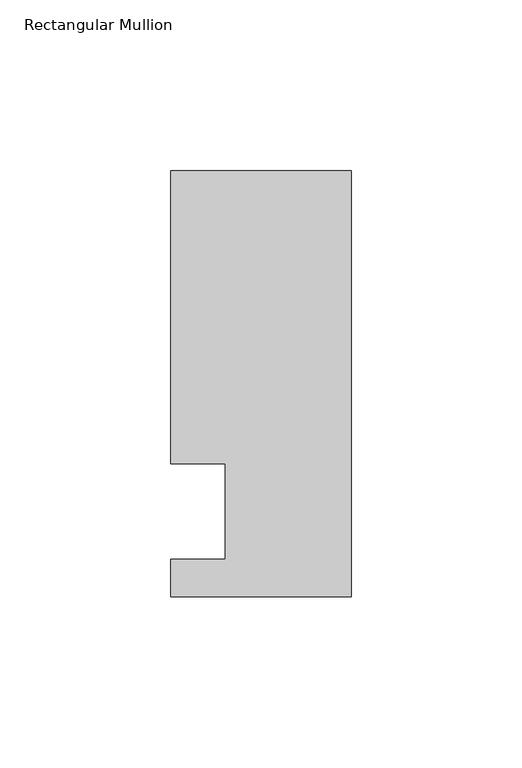
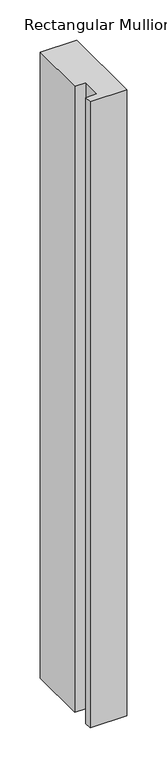
"""IFC4 building model written with IfcOpenShell, lengths in millimetres: member geometry, Rectangular Mullion."""

import ifcopenshell
import ifcopenshell.guid

model = None  # the IFC model being written
_history = None  # IfcOwnerHistory: only IFC2X3 demands one
_inside = {}  # id of a spatial element -> (the spatial element, [elements in it])
_under = {}  # id of a project, library or spatial element -> (it, [spatial elements below it])
_declared = {}  # id of a project -> (the project, [libraries it declares])
_typed = {}  # id of a type object -> (the type object, [elements of that type])
_made_of = {}  # id of a material, layer set ... -> (it, [elements and type objects made of it])


def new_model(schema):
    """Start an empty IFC model of exactly this schema.

    Asked for "IFC4X3", IfcOpenShell would pick the latest addendum, in which some entities
    have other attributes; the version numbers below select the first issue.
    IFC2X3 requires an IfcOwnerHistory on every rooted entity: one is made here for all.
    """
    global model, _history
    if schema == "IFC4X3":
        model = ifcopenshell.file(schema_version=(4, 3, 0, 0))
    else:
        model = ifcopenshell.file(schema=schema)
    _inside.clear()
    _under.clear()
    _declared.clear()
    _typed.clear()
    _made_of.clear()
    _history = None
    if model.schema == "IFC2X3":
        org = make("IfcOrganization", Name="unknown")
        user = make(
            "IfcPersonAndOrganization",
            ThePerson=make("IfcPerson", FamilyName="unknown"),
            TheOrganization=org,
        )
        app = make(
            "IfcApplication",
            ApplicationDeveloper=org,
            Version="unknown",
            ApplicationFullName="unknown",
            ApplicationIdentifier="unknown",
        )
        _history = make(
            "IfcOwnerHistory",
            OwningUser=user,
            OwningApplication=app,
            ChangeAction="ADDED",
            CreationDate=0,
        )
    return model


def make(cls, **values):
    """One entity of the class cls with the attributes given. An attribute that is None is left unset."""
    return model.create_entity(
        cls, **{name: value for name, value in values.items() if value is not None}
    )


def rooted(cls, **values):
    """An entity with a GlobalId (a new one), such as an element, a storey or a relation."""
    return make(cls, GlobalId=ifcopenshell.guid.new(), OwnerHistory=_history, **values)


def si_unit(unit_type, name, prefix=None):
    """IfcSIUnit, for example si_unit("LENGTHUNIT", "METRE", prefix="MILLI")."""
    return make("IfcSIUnit", UnitType=unit_type, Prefix=prefix, Name=name)


def assignment(units):
    """IfcUnitAssignment: the units of a project."""
    return None if units is None else make("IfcUnitAssignment", Units=units)


def point(xyz):
    """IfcCartesianPoint."""
    return None if xyz is None else make("IfcCartesianPoint", Coordinates=xyz)


def direction(xyz):
    """IfcDirection."""
    return None if xyz is None else make("IfcDirection", DirectionRatios=xyz)


def frame(location, z_axis=None, x_axis=None):
    """IfcAxis2Placement3D, a coordinate frame: its origin and axes. An axis left out is left unset."""
    return make(
        "IfcAxis2Placement3D",
        Location=point(location),
        Axis=direction(z_axis),
        RefDirection=direction(x_axis),
    )


def origin():
    """The frame at (0, 0, 0) with its axes left unset."""
    return frame((0.0, 0.0, 0.0))


def place(relative_to, where):
    """IfcLocalPlacement: puts the frame where relative to a parent placement (None: the world)."""
    return make(
        "IfcLocalPlacement", PlacementRelTo=relative_to, RelativePlacement=where
    )


def context(
    kind, dimensions, precision=None, world=None, true_north=None, identifier=None
):
    """IfcGeometricRepresentationContext, for example the 3D "Model" context."""
    return make(
        "IfcGeometricRepresentationContext",
        ContextIdentifier=identifier,
        ContextType=kind,
        CoordinateSpaceDimension=dimensions,
        Precision=precision,
        WorldCoordinateSystem=world,
        TrueNorth=true_north,
    )


def project(units=None, contexts=None):
    """IfcProject with its units and contexts."""
    return rooted(
        "IfcProject",
        Name="project",
        RepresentationContexts=contexts,
        UnitsInContext=assignment(units),
    )


def spatial(cls, under=None, at=None, **own):
    """A site, building, storey or space (cls), placed at a placement, below another one or the project."""
    s = rooted(cls, ObjectPlacement=at, **own)
    if under is not None:
        _under.setdefault(under.id(), (under, []))[1].append(s)
    return s


def polyline(points):
    """IfcPolyline through the points."""
    return make("IfcPolyline", Points=[point(p) for p in points])


def outline(outer, holes=None, kind="AREA"):
    """IfcArbitraryClosedProfileDef: a profile drawn as a closed curve; with holes, ...WithVoids."""
    if holes is None:
        return make("IfcArbitraryClosedProfileDef", ProfileType=kind, OuterCurve=outer)
    return make(
        "IfcArbitraryProfileDefWithVoids",
        ProfileType=kind,
        OuterCurve=outer,
        InnerCurves=holes,
    )


def extrude(swept, where, along, depth):
    """IfcExtrudedAreaSolid: the profile swept, set in the frame where, extruded along a direction by depth."""
    return make(
        "IfcExtrudedAreaSolid",
        SweptArea=swept,
        Position=where,
        ExtrudedDirection=direction(along),
        Depth=depth,
    )


def shape(context_of_items, identifier, shape_type, items):
    """IfcShapeRepresentation: the items that make up one representation, for example the "Body"."""
    return make(
        "IfcShapeRepresentation",
        ContextOfItems=context_of_items,
        RepresentationIdentifier=identifier,
        RepresentationType=shape_type,
        Items=items,
    )


def source(mapping_origin, context_of_items, identifier, shape_type, items):
    """IfcRepresentationMap: a shape defined once, which mapped items show again and again."""
    return make(
        "IfcRepresentationMap",
        MappingOrigin=mapping_origin,
        MappedRepresentation=shape(context_of_items, identifier, shape_type, items),
    )


def transform(
    local_origin,
    x_axis=None,
    y_axis=None,
    z_axis=None,
    scale=None,
    scale2=None,
    scale3=None,
    uniform=True,
):
    """IfcCartesianTransformationOperator3D, or its non-uniform kind. x_axis, y_axis, z_axis: its Axis1, 2, 3."""
    if uniform:
        return make(
            "IfcCartesianTransformationOperator3D",
            Axis1=direction(x_axis),
            Axis2=direction(y_axis),
            LocalOrigin=point(local_origin),
            Scale=scale,
            Axis3=direction(z_axis),
        )
    return make(
        "IfcCartesianTransformationOperator3DnonUniform",
        Axis1=direction(x_axis),
        Axis2=direction(y_axis),
        LocalOrigin=point(local_origin),
        Scale=scale,
        Axis3=direction(z_axis),
        Scale2=scale2,
        Scale3=scale3,
    )


def mapped(mapping_source, mapping_target):
    """IfcMappedItem: shows the shape of a source again, moved by a transform."""
    return make(
        "IfcMappedItem", MappingSource=mapping_source, MappingTarget=mapping_target
    )


def made_of(thing, what):
    """Note that an element or type object is made of a material, layer set ...; save() writes the relation."""
    if what is not None:
        _made_of.setdefault(what.id(), (what, []))[1].append(thing)
    return thing


def element(
    cls,
    number,
    at=None,
    inside=None,
    cuts=None,
    type_object=None,
    material=None,
    context=None,
    identifier="Body",
    shape_type=None,
    held_by="IfcProductDefinitionShape",
    body=None,
    shapes=None,
    **own,
):
    """One element of the class cls, such as IfcWall. Its Tag is "e" and its number.

    at: its placement. inside: the storey or other place that contains it. cuts: it is an
    opening in that element (IfcRelVoidsElement). A single representation is given by context,
    identifier, shape_type and body (its items); several are given by shapes. held_by: the class
    of the entity that holds the representations. save() writes the other relations.
    """
    e = rooted(cls, Tag="e%d" % number, ObjectPlacement=at, **own)
    if body is not None:
        shapes = [shape(context, identifier, shape_type, body)]
    if shapes is not None:
        e.Representation = make(held_by, Representations=shapes)
    if inside is not None:
        _inside.setdefault(inside.id(), (inside, []))[1].append(e)
    if cuts is not None:
        rooted(
            "IfcRelVoidsElement", RelatingBuildingElement=cuts, RelatedOpeningElement=e
        )
    if type_object is not None:
        _typed.setdefault(type_object.id(), (type_object, []))[1].append(e)
    return made_of(e, material)


def aggregate(whole, parts):
    """IfcRelAggregates: a whole, such as a stair, and the parts it consists of."""
    return rooted("IfcRelAggregates", RelatingObject=whole, RelatedObjects=parts)


def save(model, path):
    """Write the relations noted so far, then the file.

    IfcRelAggregates (storeys below a building ...), IfcRelContainedInSpatialStructure (elements
    in a storey), IfcRelDefinesByType, IfcRelAssociatesMaterial and IfcRelDeclares: one each for
    every whole, place, type object, material and project.
    """
    for whole, parts in _under.values():
        aggregate(whole, parts)
    for where, things in _inside.values():
        rooted(
            "IfcRelContainedInSpatialStructure",
            RelatedElements=things,
            RelatingStructure=where,
        )
    for kind, things in _typed.values():
        rooted("IfcRelDefinesByType", RelatedObjects=things, RelatingType=kind)
    for what, things in _made_of.values():
        rooted("IfcRelAssociatesMaterial", RelatedObjects=things, RelatingMaterial=what)
    for by, libraries in _declared.values():
        rooted("IfcRelDeclares", RelatingContext=by, RelatedDefinitions=libraries)
    model.write(path)


def rectangular_mullion_f5dce330(model_context):
    return source(origin(), model_context, "Body", "SweptSolid", [
        extrude(outline(polyline([(0.0, -25.0), (-53.0, -25.0), (-53.0, -14.0), (-37.0, -14.0), (-37.0, 13.9998907), (-53.0, 13.9998907), (-53.0, 100.0), (0.0, 100.0), (0.0, -25.0)])), frame((0.0, 0.0, -953.6623342), z_axis=(0.0, 0.0, 1.0), x_axis=(1.0, 0.0, 0.0)), (0.0, 0.0, 1.0), 953.6623342),
    ])


if __name__ == "__main__":
    model = new_model("IFC4")
    model_context = context("Model", 3, world=origin())
    ifc_project = project(units=[si_unit("LENGTHUNIT", "METRE", prefix="MILLI")], contexts=[model_context])
    site = spatial("IfcSite", under=ifc_project)
    building = spatial("IfcBuilding", under=site)
    placement = place(None, origin())
    rectangular_mullion_shape = rectangular_mullion_f5dce330(model_context)
    element("IfcMember", 1, ObjectType="Rectangular Mullion", at=placement, inside=building, context=model_context, shape_type="MappedRepresentation", body=[
        mapped(rectangular_mullion_shape, transform((0.0, 0.0, 0.0), x_axis=(1.0, 0.0, 0.0), y_axis=(0.0, 1.0, 0.0), z_axis=(0.0, 0.0, 1.0))),
    ])
    save(model, "model.ifc")
